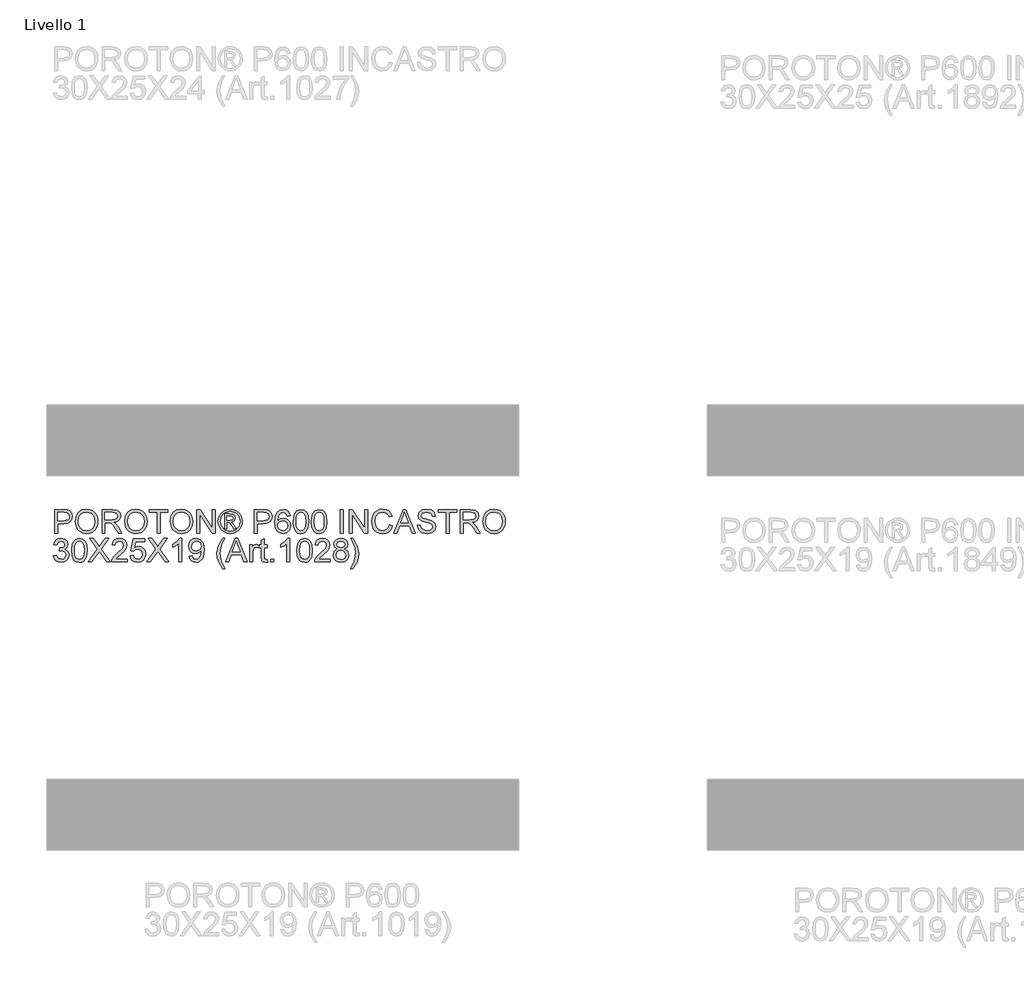
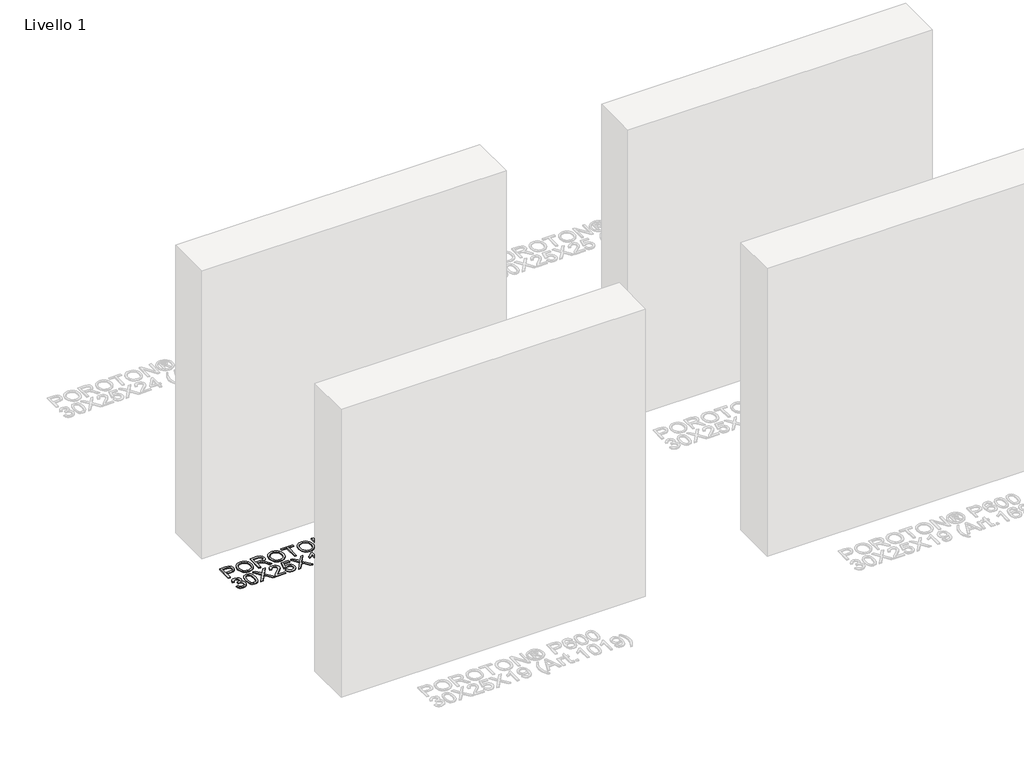
# One storey, part 3 of 11: 1 proxy.
"""IFC4 building model written with IfcOpenShell, lengths in millimetres."""

from ifc_helpers import new_model, si_unit, origin, origin_with_axes, place, context, project, spatial, polyline, outline, extrude, element, save

model = new_model("IFC4")

# Units and contexts
model_context = context("Model", 3, world=origin())
ifc_project = project(units=[si_unit("LENGTHUNIT", "METRE", prefix="MILLI")], contexts=[model_context])

# Site, building, storey
site = spatial("IfcSite", under=ifc_project)
building = spatial("IfcBuilding", under=site)
storey = spatial("IfcBuildingStorey", under=building, Name="Livello 1", Elevation=0.0)

# Proxy
placement = place(None, origin())
element("IfcBuildingElementProxy", 1, Name="100", ObjectType="100", at=placement, inside=storey, context=model_context, shape_type="SweptSolid", body=[
    extrude(outline(polyline([(-5050.2668329, 2481.1410953), (-5050.2668329, 2581.5974055), (-5013.0371749, 2581.5974055), (-4998.0275895, 2580.6409123), (-4985.82617, 2575.9442855), (-4977.9167071, 2566.2322008), (-4974.9246002, 2552.5347278), (-4976.9448855, 2540.695059), (-4983.0057414, 2530.8296901), (-4994.3395725, 2524.171026), (-5012.1787836, 2521.9514713), (-5037.7097941, 2521.9514713), (-5037.7097941, 2481.1410953), (-5050.2668329, 2481.1410953)]), holes=[polyline([(-5037.7097941, 2534.5085101), (-5011.4430196, 2534.5085101), (-4992.950818, 2539.1192977), (-4988.8489338, 2544.6681845), (-4987.481639, 2552.0932694), (-4990.7067378, 2562.4920672), (-4999.1802865, 2568.1819754), (-5011.7373252, 2569.0403667), (-5037.7097941, 2569.0403667), (-5037.7097941, 2534.5085101)])]), origin_with_axes(), (0.0, 0.0, 1.0), 5.0),
    extrude(outline(polyline([(-4962.3675615, 2530.0448752), (-4959.0198353, 2552.2588163), (-4948.9766568, 2569.0648922), (-4933.642109, 2579.6414995), (-4914.4202748, 2583.1670353), (-4901.243968, 2581.5115663), (-4889.4288246, 2576.5451594), (-4879.618638, 2568.6173024), (-4872.4572019, 2558.0774832), (-4868.0794061, 2545.4346053), (-4866.6201409, 2531.1975721), (-4868.1560482, 2516.7704665), (-4872.7637702, 2503.949779), (-4880.1888551, 2493.3915657), (-4890.1768513, 2485.751883), (-4901.8908271, 2481.1165698), (-4914.4938512, 2479.5714655), (-4927.8724931, 2481.2790511), (-4939.7550815, 2486.4018078), (-4949.5407426, 2494.4768176), (-4956.6286023, 2505.0411623), (-4962.3675615, 2530.0448752)]), holes=[polyline([(-4949.8105227, 2529.9222479), (-4947.2997281, 2514.2075553), (-4939.7673442, 2502.2329964), (-4928.4457758, 2494.6546273), (-4914.5674276, 2492.1285042), (-4900.4867442, 2494.6791527), (-4889.1467817, 2502.3310982), (-4881.6695801, 2514.6735392), (-4879.1771796, 2531.295674), (-4883.4446108, 2552.019693), (-4895.9158104, 2565.7416915), (-4914.3466984, 2570.6099965), (-4927.854099, 2568.2647488), (-4939.3381486, 2561.2290057), (-4947.1924292, 2548.7118208), (-4949.8105227, 2529.9222479)])]), origin_with_axes(), (0.0, 0.0, 1.0), 5.0),
    extrude(outline(polyline([(-4849.3542126, 2481.1410953), (-4849.3542126, 2581.5974055), (-4806.0667645, 2581.5974055), (-4785.9681448, 2578.8873414), (-4774.9807359, 2569.2978841), (-4770.8727202, 2554.1043577), (-4772.5741745, 2544.208332), (-4777.6785372, 2536.0045635), (-4786.3390925, 2529.9896929), (-4798.7091246, 2526.6603608), (-4791.5722138, 2521.2892837), (-4781.3941453, 2508.3643629), (-4764.6432518, 2481.1410953), (-4779.2359043, 2481.1410953), (-4792.3079778, 2501.9632162), (-4801.7502824, 2515.7465283), (-4808.384421, 2522.2580396), (-4814.3563721, 2524.6492726), (-4821.6404356, 2525.090731), (-4836.7971738, 2525.090731), (-4836.7971738, 2481.1410953), (-4849.3542126, 2481.1410953)]), holes=[polyline([(-4836.7971738, 2537.6477698), (-4808.6909894, 2537.6477698), (-4794.3558543, 2539.4258661), (-4786.2133994, 2545.1157743), (-4783.429759, 2553.6383738), (-4788.7395225, 2564.6993591), (-4805.5272042, 2569.0403667), (-4836.7971738, 2569.0403667), (-4836.7971738, 2537.6477698)])]), origin_with_axes(), (0.0, 0.0, 1.0), 5.0),
    extrude(outline(polyline([(-4753.6067919, 2530.0448752), (-4750.2590658, 2552.2588163), (-4740.2158873, 2569.0648922), (-4724.8813395, 2579.6414995), (-4705.6595052, 2583.1670353), (-4692.4831984, 2581.5115663), (-4680.668055, 2576.5451594), (-4670.8578685, 2568.6173024), (-4663.6964323, 2558.0774832), (-4659.3186366, 2545.4346053), (-4657.8593713, 2531.1975721), (-4659.3952787, 2516.7704665), (-4664.0030007, 2503.949779), (-4671.4280856, 2493.3915657), (-4681.4160818, 2485.751883), (-4693.1300576, 2481.1165698), (-4705.7330816, 2479.5714655), (-4719.1117235, 2481.2790511), (-4730.994312, 2486.4018078), (-4740.779973, 2494.4768176), (-4747.8678328, 2505.0411623), (-4753.6067919, 2530.0448752)]), holes=[polyline([(-4741.0497532, 2529.9222479), (-4738.5389586, 2514.2075553), (-4731.0065747, 2502.2329964), (-4719.6850063, 2494.6546273), (-4705.806658, 2492.1285042), (-4691.7259747, 2494.6791527), (-4680.3860122, 2502.3310982), (-4672.9088106, 2514.6735392), (-4670.4164101, 2531.295674), (-4674.6838412, 2552.019693), (-4687.1550409, 2565.7416915), (-4705.5859288, 2570.6099965), (-4719.0933294, 2568.2647488), (-4730.577379, 2561.2290057), (-4738.4316596, 2548.7118208), (-4741.0497532, 2529.9222479)])]), origin_with_axes(), (0.0, 0.0, 1.0), 5.0),
    extrude(outline(polyline([(-4615.4793655, 2481.1410953), (-4615.4793655, 2569.0403667), (-4648.4415923, 2569.0403667), (-4648.4415923, 2581.5974055), (-4569.9601, 2581.5974055), (-4569.9601, 2569.0403667), (-4602.9223267, 2569.0403667), (-4602.9223267, 2481.1410953), (-4615.4793655, 2481.1410953)])), origin_with_axes(), (0.0, 0.0, 1.0), 5.0),
    extrude(outline(polyline([(-4560.5423209, 2530.0448752), (-4557.1945947, 2552.2588163), (-4547.1514162, 2569.0648922), (-4531.8168684, 2579.6414995), (-4512.5950342, 2583.1670353), (-4499.4187274, 2581.5115663), (-4487.603584, 2576.5451594), (-4477.7933974, 2568.6173024), (-4470.6319613, 2558.0774832), (-4466.2541655, 2545.4346053), (-4464.7949003, 2531.1975721), (-4466.3308076, 2516.7704665), (-4470.9385296, 2503.949779), (-4478.3636145, 2493.3915657), (-4488.3516107, 2485.751883), (-4500.0655865, 2481.1165698), (-4512.6686106, 2479.5714655), (-4526.0472525, 2481.2790511), (-4537.9298409, 2486.4018078), (-4547.715502, 2494.4768176), (-4554.8033617, 2505.0411623), (-4560.5423209, 2530.0448752)]), holes=[polyline([(-4547.9852821, 2529.9222479), (-4545.4744875, 2514.2075553), (-4537.9421036, 2502.2329964), (-4526.6205352, 2494.6546273), (-4512.742187, 2492.1285042), (-4498.6615036, 2494.6791527), (-4487.3215411, 2502.3310982), (-4479.8443395, 2514.6735392), (-4477.351939, 2531.295674), (-4481.6193702, 2552.019693), (-4494.0905698, 2565.7416915), (-4512.5214578, 2570.6099965), (-4526.0288584, 2568.2647488), (-4537.512908, 2561.2290057), (-4545.3671886, 2548.7118208), (-4547.9852821, 2529.9222479)])]), origin_with_axes(), (0.0, 0.0, 1.0), 5.0),
    extrude(outline(polyline([(-4447.528972, 2481.1410953), (-4447.528972, 2581.5974055), (-4434.0890164, 2581.5974055), (-4381.6045184, 2502.0122672), (-4381.6045184, 2581.5974055), (-4369.0474797, 2581.5974055), (-4369.0474797, 2481.1410953), (-4382.4874352, 2481.1410953), (-4434.9719332, 2560.7507591), (-4434.9719332, 2481.1410953), (-4447.528972, 2481.1410953)])), origin_with_axes(), (0.0, 0.0, 1.0), 5.0),
    extrude(outline(polyline([(-4306.2377603, 2583.1670353), (-4293.3434964, 2581.4931722), (-4280.7558008, 2576.471583), (-4269.6978812, 2568.3352595), (-4261.3929451, 2557.3171938), (-4256.1966119, 2544.5946081), (-4254.4645009, 2531.3447249), (-4256.1720865, 2518.2113377), (-4261.2948433, 2505.5929853), (-4269.4986118, 2494.6147734), (-4280.4492325, 2486.4018078), (-4293.0583879, 2481.2790511), (-4306.2377603, 2479.5714655), (-4319.3987387, 2481.2790511), (-4332.0017627, 2486.4018078), (-4342.9615805, 2494.6147734), (-4351.1929402, 2505.5929853), (-4356.3432881, 2518.2113377), (-4358.0600707, 2531.3447249), (-4356.3187626, 2544.5946081), (-4351.0948383, 2557.3171938), (-4342.7623111, 2568.3352595), (-4331.6951944, 2576.471583), (-4319.1136302, 2581.4931722), (-4306.2377603, 2583.1670353)]), holes=[polyline([(-4306.2377603, 2573.7492562), (-4327.0598813, 2568.2678145), (-4336.0883186, 2561.6060847), (-4342.9155953, 2552.5837788), (-4348.6422917, 2531.3447249), (-4343.0259599, 2510.2896121), (-4327.3051359, 2494.6055763), (-4306.2377603, 2488.9892445), (-4285.158122, 2494.6055763), (-4269.4740863, 2510.2896121), (-4263.88228, 2531.3447249), (-4269.5721882, 2552.5837788), (-4276.3810707, 2561.6060847), (-4285.4279021, 2568.2678145), (-4306.2377603, 2573.7492562)])]), origin_with_axes(), (0.0, 0.0, 1.0), 5.0),
    extrude(outline(polyline([(-4329.8067335, 2499.9766535), (-4329.8067335, 2562.7618473), (-4309.5241728, 2562.7618473), (-4294.4655365, 2561.0328019), (-4287.0465829, 2554.9995372), (-4284.287468, 2545.8392755), (-4289.0454084, 2533.9198989), (-4301.6514981, 2528.2299907), (-4296.7464049, 2524.8945273), (-4288.1870171, 2512.362014), (-4281.1482083, 2499.9766535), (-4291.7432097, 2499.9766535), (-4297.2614397, 2509.9339928), (-4306.5075405, 2524.354967), (-4314.527368, 2526.6603608), (-4320.3889544, 2526.6603608), (-4320.3889544, 2499.9766535), (-4329.8067335, 2499.9766535)]), holes=[polyline([(-4320.3889544, 2536.0781399), (-4308.4695778, 2536.0781399), (-4296.8199813, 2538.4693729), (-4293.705247, 2544.8092059), (-4295.2013005, 2549.3709427), (-4299.358367, 2552.3630496), (-4309.2298672, 2553.3440682), (-4320.3889544, 2553.3440682), (-4320.3889544, 2536.0781399)])]), origin_with_axes(), (0.0, 0.0, 1.0), 5.0),
    extrude(outline(polyline([(-4204.2363458, 2481.1410953), (-4204.2363458, 2581.5974055), (-4167.0066879, 2581.5974055), (-4151.9971025, 2580.6409123), (-4139.795683, 2575.9442855), (-4131.8862201, 2566.2322008), (-4128.8941132, 2552.5347278), (-4130.9143985, 2540.695059), (-4136.9752544, 2530.8296901), (-4148.3090855, 2524.171026), (-4166.1482966, 2521.9514713), (-4191.679307, 2521.9514713), (-4191.679307, 2481.1410953), (-4204.2363458, 2481.1410953)]), holes=[polyline([(-4191.679307, 2534.5085101), (-4165.4125326, 2534.5085101), (-4146.920331, 2539.1192977), (-4142.8184467, 2544.6681845), (-4141.451152, 2552.0932694), (-4144.6762508, 2562.4920672), (-4153.1497994, 2568.1819754), (-4165.7068382, 2569.0403667), (-4191.679307, 2569.0403667), (-4191.679307, 2534.5085101)])]), origin_with_axes(), (0.0, 0.0, 1.0), 5.0),
    extrude(outline(polyline([(-4051.9822507, 2554.9136981), (-4064.5392895, 2553.3440682), (-4069.29723, 2563.8164424), (-4081.8787942, 2569.0403667), (-4093.2095597, 2565.9992089), (-4101.7812102, 2554.5826043), (-4105.3496655, 2532.2031162), (-4094.2764175, 2542.2217692), (-4080.554419, 2545.495919), (-4068.9538735, 2543.2579702), (-4059.2172633, 2536.5441238), (-4052.6137815, 2526.2863475), (-4050.4126209, 2513.416609), (-4054.5574247, 2496.089367), (-4065.9617666, 2483.8266339), (-4082.4183545, 2479.5714655), (-4096.6645847, 2482.3918941), (-4108.0106786, 2490.85318), (-4115.4326979, 2505.789189), (-4117.9067043, 2528.033787), (-4115.159852, 2553.0436313), (-4106.9192954, 2570.1440127), (-4095.6682377, 2578.7340573), (-4081.0939793, 2581.5974055), (-4070.0759135, 2579.8254405), (-4061.252877, 2574.5095457), (-4055.0724595, 2566.0666539), (-4051.9822507, 2554.9136981)]), holes=[polyline([(-4105.3496655, 2513.6128127), (-4102.4433977, 2502.7357684), (-4094.7178758, 2494.8385683), (-4083.3993731, 2492.1285042), (-4075.1128312, 2493.5325872), (-4068.5982542, 2497.744836), (-4064.3768083, 2504.3667119), (-4062.9696597, 2512.9996761), (-4064.3584142, 2521.286218), (-4068.5246778, 2527.6045913), (-4075.1496194, 2531.605308), (-4083.9144079, 2532.9388802), (-4099.1079343, 2527.6045913), (-4103.7892327, 2521.4395022), (-4105.3496655, 2513.6128127)])]), origin_with_axes(), (0.0, 0.0, 1.0), 5.0),
    extrude(outline(polyline([(-4039.425212, 2530.55991), (-4035.7341293, 2559.4631721), (-4024.7712458, 2576.1282265), (-4006.4629852, 2581.5974055), (-3991.7967563, 2578.3600439), (-3981.6677387, 2569.028104), (-3975.7816268, 2554.1656713), (-3973.5007584, 2530.55991), (-3977.1550529, 2501.7792752), (-3988.0811482, 2485.0774327), (-3996.3125078, 2480.9479573), (-4006.4629852, 2479.5714655), (-4019.5105333, 2481.9626984), (-4029.4188217, 2489.1363973), (-4036.9236144, 2506.1264141), (-4039.425212, 2530.55991)]), holes=[polyline([(-4026.8681732, 2530.5844355), (-4025.3966452, 2510.832238), (-4020.9820613, 2499.400305), (-4014.4092363, 2493.9464544), (-4006.4629852, 2492.1285042), (-3998.5167341, 2493.9525858), (-3991.9439091, 2499.4248305), (-3987.5293252, 2510.8628948), (-3986.0577972, 2530.5844355), (-3987.4802743, 2549.8921088), (-3991.7477054, 2561.4129467), (-3998.3082676, 2567.1335117), (-4006.610138, 2569.0403667), (-4014.47055, 2567.3603722), (-4020.7858576, 2562.3203889), (-4025.3475943, 2550.0821812), (-4026.8681732, 2530.5844355)])]), origin_with_axes(), (0.0, 0.0, 1.0), 5.0),
    extrude(outline(polyline([(-3962.5133495, 2530.55991), (-3958.8222668, 2559.4631721), (-3947.8593834, 2576.1282265), (-3929.5511227, 2581.5974055), (-3914.8848939, 2578.3600439), (-3904.7558763, 2569.028104), (-3898.8697643, 2554.1656713), (-3896.588896, 2530.55991), (-3900.2431905, 2501.7792752), (-3911.1692857, 2485.0774327), (-3919.4006454, 2480.9479573), (-3929.5511227, 2479.5714655), (-3942.5986708, 2481.9626984), (-3952.5069592, 2489.1363973), (-3960.0117519, 2506.1264141), (-3962.5133495, 2530.55991)]), holes=[polyline([(-3949.9563107, 2530.5844355), (-3948.4847828, 2510.832238), (-3944.0701988, 2499.400305), (-3937.4973738, 2493.9464544), (-3929.5511227, 2492.1285042), (-3921.6048717, 2493.9525858), (-3915.0320467, 2499.4248305), (-3910.6174627, 2510.8628948), (-3909.1459347, 2530.5844355), (-3910.5684118, 2549.8921088), (-3914.8358429, 2561.4129467), (-3921.3964052, 2567.1335117), (-3929.6982755, 2569.0403667), (-3937.5586875, 2567.3603722), (-3943.8739951, 2562.3203889), (-3948.4357318, 2550.0821812), (-3949.9563107, 2530.5844355)])]), origin_with_axes(), (0.0, 0.0, 1.0), 5.0),
    extrude(outline(polyline([(-3840.0822215, 2481.1410953), (-3840.0822215, 2581.5974055), (-3827.5251828, 2581.5974055), (-3827.5251828, 2481.1410953), (-3840.0822215, 2481.1410953)])), origin_with_axes(), (0.0, 0.0, 1.0), 5.0),
    extrude(outline(polyline([(-3802.4111052, 2481.1410953), (-3802.4111052, 2581.5974055), (-3788.9711497, 2581.5974055), (-3736.4866517, 2502.0122672), (-3736.4866517, 2581.5974055), (-3723.9296129, 2581.5974055), (-3723.9296129, 2481.1410953), (-3737.3695685, 2481.1410953), (-3789.8540664, 2560.7507591), (-3789.8540664, 2481.1410953), (-3802.4111052, 2481.1410953)])), origin_with_axes(), (0.0, 0.0, 1.0), 5.0),
    extrude(outline(polyline([(-3631.321452, 2516.8501743), (-3618.7644132, 2513.6128127), (-3624.5585546, 2498.9803064), (-3633.6513713, 2488.2902687), (-3645.5952734, 2481.7511663), (-3659.9426712, 2479.5714655), (-3674.5077325, 2481.2208031), (-3686.0745556, 2486.1688159), (-3694.9405117, 2494.2438257), (-3701.4029721, 2505.2741542), (-3706.6636846, 2532.1295398), (-3705.1768282, 2546.7773746), (-3700.716259, 2559.4263839), (-3693.514969, 2569.6749631), (-3683.80595, 2577.1215078), (-3672.2912435, 2581.6556534), (-3659.6728911, 2583.1670353), (-3645.9049074, 2581.2111294), (-3634.5220253, 2575.3434115), (-3625.8798641, 2565.9256325), (-3620.3340431, 2553.3195428), (-3632.8910818, 2550.3274359), (-3643.1917777, 2565.7662169), (-3660.1634004, 2570.6099965), (-3679.808299, 2565.2389194), (-3690.9060725, 2550.8179452), (-3694.1066458, 2532.1540653), (-3690.3174613, 2510.522604), (-3678.520712, 2496.7025037), (-3661.19347, 2492.1285042), (-3650.7118988, 2493.6858713), (-3641.9777671, 2498.3579727), (-3635.3834824, 2506.0957573), (-3631.321452, 2516.8501743)])), origin_with_axes(), (0.0, 0.0, 1.0), 5.0),
    extrude(outline(polyline([(-3613.1971324, 2481.1410953), (-3573.0979949, 2581.5974055), (-3562.4048916, 2581.5974055), (-3522.3057541, 2481.1410953), (-3535.5740314, 2481.1410953), (-3547.0764751, 2512.5336922), (-3588.4509368, 2512.5336922), (-3599.9288551, 2481.1410953), (-3613.1971324, 2481.1410953)]), holes=[polyline([(-3583.8401491, 2525.090731), (-3551.6627373, 2525.090731), (-3560.7126344, 2549.7878756), (-3567.7514432, 2569.0403667), (-3574.0054371, 2551.9461166), (-3583.8401491, 2525.090731)])]), origin_with_axes(), (0.0, 0.0, 1.0), 5.0),
    extrude(outline(polyline([(-3513.5992135, 2515.6729519), (-3501.0421748, 2515.6729519), (-3496.9954728, 2503.1036504), (-3487.1117099, 2495.1573993), (-3472.0530735, 2492.1285042), (-3458.931949, 2494.4216353), (-3450.4584004, 2500.7246802), (-3447.67476, 2509.1491779), (-3449.7594246, 2516.9850644), (-3458.2942869, 2522.6872353), (-3476.5780221, 2527.481964), (-3496.2597088, 2533.6746442), (-3506.9405494, 2543.0188469), (-3510.4599538, 2555.5023093), (-3506.1066836, 2569.714817), (-3493.3902293, 2579.7457327), (-3474.7754003, 2583.1670353), (-3454.9097726, 2579.5863172), (-3441.6660207, 2569.0648922), (-3436.6873511, 2553.3440682), (-3449.2443898, 2553.3440682), (-3451.5497837, 2560.8365982), (-3456.3567751, 2566.2444635), (-3474.284891, 2570.6099965), (-3492.2620578, 2566.2935145), (-3497.9029151, 2555.8701913), (-3493.9052641, 2547.1636507), (-3473.4019742, 2540.1493673), (-3451.1819017, 2533.8463225), (-3439.0295331, 2523.6682539), (-3435.1177212, 2509.4680089), (-3439.6181443, 2494.4461608), (-3452.5675905, 2483.4832773), (-3471.5625642, 2479.5714655), (-3493.9911032, 2483.7898457), (-3508.1790855, 2496.4940372), (-3513.5992135, 2515.6729519)])), origin_with_axes(), (0.0, 0.0, 1.0), 5.0),
    extrude(outline(polyline([(-3391.1680855, 2481.1410953), (-3391.1680855, 2569.0403667), (-3424.1303123, 2569.0403667), (-3424.1303123, 2581.5974055), (-3345.64882, 2581.5974055), (-3345.64882, 2569.0403667), (-3378.6110468, 2569.0403667), (-3378.6110468, 2481.1410953), (-3391.1680855, 2481.1410953)])), origin_with_axes(), (0.0, 0.0, 1.0), 5.0),
    extrude(outline(polyline([(-3331.5221514, 2481.1410953), (-3331.5221514, 2581.5974055), (-3288.2347033, 2581.5974055), (-3268.1360836, 2578.8873414), (-3257.1486747, 2569.2978841), (-3253.0406591, 2554.1043577), (-3254.7421133, 2544.208332), (-3259.846476, 2536.0045635), (-3268.5070313, 2529.9896929), (-3280.8770634, 2526.6603608), (-3273.7401527, 2521.2892837), (-3263.5620841, 2508.3643629), (-3246.8111906, 2481.1410953), (-3261.4038431, 2481.1410953), (-3274.4759167, 2501.9632162), (-3283.9182212, 2515.7465283), (-3290.5523599, 2522.2580396), (-3296.5243109, 2524.6492726), (-3303.8083744, 2525.090731), (-3318.9651126, 2525.090731), (-3318.9651126, 2481.1410953), (-3331.5221514, 2481.1410953)]), holes=[polyline([(-3318.9651126, 2537.6477698), (-3290.8589282, 2537.6477698), (-3276.5237931, 2539.4258661), (-3268.3813383, 2545.1157743), (-3265.5976979, 2553.6383738), (-3270.9074613, 2564.6993591), (-3287.695143, 2569.0403667), (-3318.9651126, 2569.0403667), (-3318.9651126, 2537.6477698)])]), origin_with_axes(), (0.0, 0.0, 1.0), 5.0),
    extrude(outline(polyline([(-3235.7747308, 2530.0448752), (-3232.4270046, 2552.2588163), (-3222.3838262, 2569.0648922), (-3207.0492783, 2579.6414995), (-3187.8274441, 2583.1670353), (-3174.6511373, 2581.5115663), (-3162.8359939, 2576.5451594), (-3153.0258073, 2568.6173024), (-3145.8643712, 2558.0774832), (-3141.4865754, 2545.4346053), (-3140.0273102, 2531.1975721), (-3141.5632175, 2516.7704665), (-3146.1709395, 2503.949779), (-3153.5960244, 2493.3915657), (-3163.5840206, 2485.751883), (-3175.2979965, 2481.1165698), (-3187.9010205, 2479.5714655), (-3201.2796624, 2481.2790511), (-3213.1622508, 2486.4018078), (-3222.9479119, 2494.4768176), (-3230.0357717, 2505.0411623), (-3235.7747308, 2530.0448752)]), holes=[polyline([(-3223.217692, 2529.9222479), (-3220.7068974, 2514.2075553), (-3213.1745135, 2502.2329964), (-3201.8529451, 2494.6546273), (-3187.9745969, 2492.1285042), (-3173.8939135, 2494.6791527), (-3162.553951, 2502.3310982), (-3155.0767495, 2514.6735392), (-3152.5843489, 2531.295674), (-3156.8517801, 2552.019693), (-3169.3229797, 2565.7416915), (-3187.7538677, 2570.6099965), (-3201.2612683, 2568.2647488), (-3212.7453179, 2561.2290057), (-3220.5995985, 2548.7118208), (-3223.217692, 2529.9222479)])]), origin_with_axes(), (0.0, 0.0, 1.0), 5.0),
    extrude(outline(polyline([(-5054.9757224, 2385.8499848), (-5042.4186836, 2387.4196147), (-5035.4902394, 2374.2003883), (-5022.5285304, 2370.1536864), (-5013.9200917, 2371.5455066), (-5007.2736903, 2375.7209672), (-5001.6083076, 2389.5042793), (-5007.2246394, 2402.4905138), (-5021.4984608, 2407.628599), (-5030.3031032, 2406.2551728), (-5028.9051517, 2418.8122116), (-5026.8940634, 2418.6650588), (-5012.6447675, 2422.2703024), (-5007.8990897, 2426.8443018), (-5006.3171972, 2433.3558132), (-5010.9034594, 2443.1782624), (-5022.7247341, 2447.0655488), (-5034.6931617, 2443.1414742), (-5040.8490538, 2431.3692504), (-5053.4060925, 2432.9388802), (-5049.7088785, 2444.2144634), (-5043.1299221, 2452.6328297), (-5034.129076, 2457.8751481), (-5023.1661925, 2459.6225876), (-5008.0217171, 2456.1767596), (-4997.4267156, 2446.7589805), (-4993.7601584, 2434.0915771), (-4997.2427746, 2422.515557), (-5007.5434705, 2414.2014239), (-4993.8582603, 2405.6175107), (-4989.0512689, 2389.2835501), (-4991.4547646, 2377.0453424), (-4998.6652517, 2366.818223), (-5009.5484274, 2359.9020415), (-5022.9699888, 2357.5966476), (-5035.1100947, 2359.5648163), (-5044.9938576, 2365.4693223), (-5051.8671195, 2374.5008253), (-5054.9757224, 2385.8499848)])), origin_with_axes(), (0.0, 0.0, 1.0), 5.0),
    extrude(outline(polyline([(-4978.0638599, 2408.5850921), (-4974.3727772, 2437.4883542), (-4963.4098938, 2454.1534086), (-4945.1016332, 2459.6225876), (-4930.4354043, 2456.3852261), (-4920.3063867, 2447.0532861), (-4914.4202748, 2432.1908535), (-4912.1394064, 2408.5850921), (-4915.7937009, 2379.8044574), (-4926.7197961, 2363.1026148), (-4934.9511558, 2358.9731394), (-4945.1016332, 2357.5966476), (-4958.1491813, 2359.9878806), (-4968.0574697, 2367.1615795), (-4975.5622624, 2384.1515963), (-4978.0638599, 2408.5850921)]), holes=[polyline([(-4965.5068212, 2408.6096176), (-4964.0352932, 2388.8574202), (-4959.6207092, 2377.4254872), (-4953.0478843, 2371.9716366), (-4945.1016332, 2370.1536864), (-4937.1553821, 2371.9777679), (-4930.5825571, 2377.4500126), (-4926.1679731, 2388.888077), (-4924.6964452, 2408.6096176), (-4926.1189222, 2427.917291), (-4930.3863534, 2439.4381288), (-4936.9469156, 2445.1586938), (-4945.248786, 2447.0655488), (-4953.1091979, 2445.3855544), (-4959.4245055, 2440.3455711), (-4963.9862423, 2428.1073634), (-4965.5068212, 2408.6096176)])]), origin_with_axes(), (0.0, 0.0, 1.0), 5.0),
    extrude(outline(polyline([(-4907.4305169, 2359.1662775), (-4868.7048055, 2413.9071183), (-4901.1519975, 2459.6225876), (-4886.0933611, 2459.6225876), (-4867.8218887, 2433.8953734), (-4861.6659967, 2423.8644577), (-4854.4555096, 2434.0670517), (-4836.3802409, 2459.6225876), (-4821.1008753, 2459.6225876), (-4853.5480673, 2413.7599655), (-4814.8223559, 2359.1662775), (-4829.8809923, 2359.1662775), (-4855.6817829, 2395.5620695), (-4861.05286, 2403.1159132), (-4866.9634974, 2394.8263055), (-4892.1511513, 2359.1662775), (-4907.4305169, 2359.1662775)])), origin_with_axes(), (0.0, 0.0, 1.0), 5.0),
    extrude(outline(polyline([(-4742.619383, 2371.7233162), (-4742.619383, 2359.1662775), (-4808.5438366, 2359.1662775), (-4807.1949359, 2367.8237671), (-4799.5675159, 2381.153358), (-4783.8466919, 2395.7092223), (-4762.1661797, 2416.6294451), (-4756.7460516, 2430.8542156), (-4761.8596114, 2442.368922), (-4775.2137278, 2447.0655488), (-4789.1319299, 2442.4792866), (-4794.4171679, 2429.7996205), (-4806.9742067, 2431.3692504), (-4803.9299832, 2443.5154876), (-4797.3479612, 2452.387575), (-4787.5714971, 2457.8138345), (-4774.9439477, 2459.6225876), (-4762.2244277, 2457.6114994), (-4752.4663578, 2451.5782346), (-4746.2583491, 2442.5651258), (-4744.1890129, 2431.614505), (-4746.4208303, 2419.7073911), (-4753.8397839, 2407.395607), (-4771.8292134, 2390.1909924), (-4786.2747131, 2378.1122002), (-4791.9400958, 2371.7233162), (-4742.619383, 2371.7233162)])), origin_with_axes(), (0.0, 0.0, 1.0), 5.0),
    extrude(outline(polyline([(-4730.0623443, 2385.8499848), (-4717.5053055, 2387.4196147), (-4711.1777352, 2374.4824312), (-4698.0566107, 2370.1536864), (-4689.0557645, 2371.6589369), (-4682.3112613, 2376.1746884), (-4678.0990124, 2383.1797747), (-4676.6949295, 2392.1530297), (-4681.955642, 2407.0645132), (-4688.5621895, 2411.1663975), (-4697.8604069, 2412.5336922), (-4708.8846041, 2410.3509257), (-4715.9356756, 2404.685543), (-4728.4927144, 2406.2551728), (-4717.5053055, 2458.0529578), (-4668.8467803, 2458.0529578), (-4668.8467803, 2445.495919), (-4707.3517624, 2445.495919), (-4712.7228395, 2417.831193), (-4703.7526502, 2423.2758465), (-4694.3532653, 2425.090731), (-4682.6208953, 2422.8405195), (-4672.8812195, 2416.0898848), (-4666.3237229, 2405.8014517), (-4664.1378907, 2392.9378446), (-4666.1060594, 2380.3808058), (-4672.0105654, 2369.6386516), (-4683.3168054, 2360.6071486), (-4698.1056616, 2357.5966476), (-4710.4389055, 2359.5310938), (-4720.2644204, 2365.3344322), (-4726.9997266, 2374.3322127), (-4730.0623443, 2385.8499848)])), origin_with_axes(), (0.0, 0.0, 1.0), 5.0),
    extrude(outline(polyline([(-4659.4290012, 2359.1662775), (-4620.7032898, 2413.9071183), (-4653.1504818, 2459.6225876), (-4638.0918455, 2459.6225876), (-4619.820373, 2433.8953734), (-4613.664481, 2423.8644577), (-4606.4539939, 2434.0670517), (-4588.3787252, 2459.6225876), (-4573.0993596, 2459.6225876), (-4605.5465516, 2413.7599655), (-4566.8208403, 2359.1662775), (-4581.8794766, 2359.1662775), (-4607.6802672, 2395.5620695), (-4613.0513443, 2403.1159132), (-4618.9619817, 2394.8263055), (-4644.1496356, 2359.1662775), (-4659.4290012, 2359.1662775)])), origin_with_axes(), (0.0, 0.0, 1.0), 5.0),
    extrude(outline(polyline([(-4511.8837956, 2359.1662775), (-4524.4408344, 2359.1662775), (-4524.4408344, 2437.451566), (-4536.3356856, 2428.9780174), (-4549.554912, 2422.6381844), (-4549.554912, 2434.5085101), (-4531.1485495, 2446.2562085), (-4519.9771995, 2459.6225876), (-4511.8837956, 2459.6225876), (-4511.8837956, 2359.1662775)])), origin_with_axes(), (0.0, 0.0, 1.0), 5.0),
    extrude(outline(polyline([(-4480.4911987, 2384.280355), (-4467.93416, 2385.8499848), (-4462.2933027, 2373.8692945), (-4451.6001994, 2370.1536864), (-4441.4343936, 2372.5449194), (-4434.5427375, 2378.9338033), (-4430.4347219, 2389.8476359), (-4428.6198374, 2404.4157629), (-4428.6934138, 2406.8683095), (-4438.7365923, 2397.3524286), (-4452.5076416, 2393.6981341), (-4463.9579687, 2395.9299515), (-4473.4891781, 2402.6254038), (-4479.9179159, 2412.9690193), (-4482.0608286, 2426.145326), (-4479.8136827, 2439.7569599), (-4473.0722452, 2450.4255377), (-4462.9462932, 2457.3233251), (-4450.5456043, 2459.6225876), (-4432.6542766, 2454.3741378), (-4420.3424925, 2439.4136033), (-4416.136375, 2411.3074189), (-4420.3302298, 2380.8100015), (-4425.5449571, 2370.8189397), (-4432.8014294, 2363.5318105), (-4441.7869471, 2359.0804383), (-4452.1888106, 2357.5966476), (-4462.9248335, 2359.3471528), (-4471.4903526, 2364.5986683), (-4477.4806977, 2373.0201003), (-4480.4911987, 2384.280355)]), holes=[polyline([(-4428.6934138, 2426.4396316), (-4430.0484458, 2434.9499685), (-4434.1135419, 2441.498268), (-4440.4227181, 2445.6737286), (-4448.5099906, 2447.0655488), (-4456.8977001, 2445.5664297), (-4463.6176779, 2441.0690723), (-4468.0322618, 2434.1866133), (-4469.5037898, 2425.5321894), (-4468.1119696, 2417.772945), (-4463.9365089, 2411.6139872), (-4457.3820781, 2407.5948764), (-4448.8533471, 2406.2551728), (-4434.3710593, 2411.6139872), (-4430.1128252, 2417.9998055), (-4428.6934138, 2426.4396316)])]), origin_with_axes(), (0.0, 0.0, 1.0), 5.0),
    extrude(outline(polyline([(-4337.6548827, 2330.9129402), (-4355.4848968, 2360.3680253), (-4360.9479444, 2377.5481145), (-4362.7689603, 2395.3413403), (-4357.3243067, 2425.8755459), (-4337.6548827, 2459.6225876), (-4328.2371037, 2459.6225876), (-4339.984802, 2439.7324344), (-4347.0481363, 2420.4554179), (-4350.2119215, 2395.2677639), (-4344.718217, 2363.0780893), (-4328.2371037, 2330.9129402), (-4337.6548827, 2330.9129402)])), origin_with_axes(), (0.0, 0.0, 1.0), 5.0),
    extrude(outline(polyline([(-4325.8090825, 2359.1662775), (-4285.709945, 2459.6225876), (-4275.0168417, 2459.6225876), (-4234.9177042, 2359.1662775), (-4248.1859815, 2359.1662775), (-4259.6884252, 2390.5588744), (-4301.0628869, 2390.5588744), (-4312.5408052, 2359.1662775), (-4325.8090825, 2359.1662775)]), holes=[polyline([(-4296.4520993, 2403.1159132), (-4264.2746874, 2403.1159132), (-4273.3245845, 2427.8130578), (-4280.3633933, 2447.0655488), (-4286.6173873, 2429.9712988), (-4296.4520993, 2403.1159132)])]), origin_with_axes(), (0.0, 0.0, 1.0), 5.0),
    extrude(outline(polyline([(-4223.071904, 2359.1662775), (-4223.071904, 2432.9388802), (-4212.084495, 2432.9388802), (-4212.084495, 2422.0250477), (-4204.2853967, 2432.0804889), (-4196.4372475, 2434.5085101), (-4183.8311578, 2430.6334864), (-4188.0250126, 2419.3762973), (-4196.8541804, 2421.9514713), (-4203.9543029, 2419.4743992), (-4208.4792515, 2412.6072686), (-4210.5148652, 2397.9410398), (-4210.5148652, 2359.1662775), (-4223.071904, 2359.1662775)])), origin_with_axes(), (0.0, 0.0, 1.0), 5.0),
    extrude(outline(polyline([(-4149.2993012, 2369.6386516), (-4147.7296714, 2358.7983955), (-4157.122925, 2357.5966476), (-4167.64435, 2359.6813123), (-4172.8927998, 2365.1504912), (-4174.4133787, 2379.3997872), (-4174.4133787, 2420.3818415), (-4183.8311578, 2420.3818415), (-4183.8311578, 2432.9388802), (-4174.4133787, 2432.9388802), (-4174.4133787, 2450.8669961), (-4161.85634, 2458.2491615), (-4161.85634, 2432.9388802), (-4149.2993012, 2432.9388802), (-4149.2993012, 2420.3818415), (-4161.85634, 2420.3818415), (-4161.85634, 2379.7676692), (-4161.1941524, 2373.2929461), (-4159.0481741, 2370.999815), (-4154.7684802, 2370.1536864), (-4149.2993012, 2369.6386516)])), origin_with_axes(), (0.0, 0.0, 1.0), 5.0),
    extrude(outline(polyline([(-4133.6030027, 2359.1662775), (-4133.6030027, 2371.7233162), (-4121.045964, 2371.7233162), (-4121.045964, 2359.1662775), (-4133.6030027, 2359.1662775)])), origin_with_axes(), (0.0, 0.0, 1.0), 5.0),
    extrude(outline(polyline([(-4053.5518806, 2359.1662775), (-4066.1089194, 2359.1662775), (-4066.1089194, 2437.451566), (-4078.0037705, 2428.9780174), (-4091.2229969, 2422.6381844), (-4091.2229969, 2434.5085101), (-4072.8166344, 2446.2562085), (-4061.6452845, 2459.6225876), (-4053.5518806, 2459.6225876), (-4053.5518806, 2359.1662775)])), origin_with_axes(), (0.0, 0.0, 1.0), 5.0),
    extrude(outline(polyline([(-4023.7289135, 2408.5850921), (-4020.0378308, 2437.4883542), (-4009.0749474, 2454.1534086), (-3990.7666867, 2459.6225876), (-3976.1004579, 2456.3852261), (-3965.9714403, 2447.0532861), (-3960.0853283, 2432.1908535), (-3957.80446, 2408.5850921), (-3961.4587545, 2379.8044574), (-3972.3848497, 2363.1026148), (-3980.6162094, 2358.9731394), (-3990.7666867, 2357.5966476), (-4003.8142348, 2359.9878806), (-4013.7225232, 2367.1615795), (-4021.2273159, 2384.1515963), (-4023.7289135, 2408.5850921)]), holes=[polyline([(-4011.1718747, 2408.6096176), (-4009.7003468, 2388.8574202), (-4005.2857628, 2377.4254872), (-3998.7129378, 2371.9716366), (-3990.7666867, 2370.1536864), (-3982.8204356, 2371.9777679), (-3976.2476107, 2377.4500126), (-3971.8330267, 2388.888077), (-3970.3614987, 2408.6096176), (-3971.7839758, 2427.917291), (-3976.0514069, 2439.4381288), (-3982.6119692, 2445.1586938), (-3990.9138395, 2447.0655488), (-3998.7742515, 2445.3855544), (-4005.0895591, 2440.3455711), (-4009.6512958, 2428.1073634), (-4011.1718747, 2408.6096176)])]), origin_with_axes(), (0.0, 0.0, 1.0), 5.0),
    extrude(outline(polyline([(-3882.4622274, 2371.7233162), (-3882.4622274, 2359.1662775), (-3948.3866809, 2359.1662775), (-3947.0377803, 2367.8237671), (-3939.4103602, 2381.153358), (-3923.6895363, 2395.7092223), (-3902.009024, 2416.6294451), (-3896.588896, 2430.8542156), (-3901.7024557, 2442.368922), (-3915.0565721, 2447.0655488), (-3928.9747743, 2442.4792866), (-3934.2600123, 2429.7996205), (-3946.8170511, 2431.3692504), (-3943.7728275, 2443.5154876), (-3937.1908055, 2452.387575), (-3927.4143415, 2457.8138345), (-3914.786792, 2459.6225876), (-3902.067272, 2457.6114994), (-3892.3092021, 2451.5782346), (-3886.1011934, 2442.5651258), (-3884.0318572, 2431.614505), (-3886.2636746, 2419.7073911), (-3893.6826282, 2407.395607), (-3911.6720578, 2390.1909924), (-3926.1175575, 2378.1122002), (-3931.7829402, 2371.7233162), (-3882.4622274, 2371.7233162)])), origin_with_axes(), (0.0, 0.0, 1.0), 5.0),
    extrude(outline(polyline([(-3851.6091907, 2414.4957295), (-3863.0503208, 2422.2948278), (-3866.7659289, 2434.4349337), (-3864.7425779, 2444.2512516), (-3858.672525, 2452.3630496), (-3849.2363518, 2457.8077031), (-3837.1146401, 2459.6225876), (-3824.919352, 2457.7647835), (-3815.3605514, 2452.1913713), (-3809.1801339, 2443.9508146), (-3807.1199948, 2434.0915771), (-3810.786552, 2422.2580396), (-3821.908851, 2414.4957295), (-3808.5547345, 2404.6487548), (-3803.9807351, 2388.4006333), (-3806.2493407, 2376.3954176), (-3813.0551576, 2366.4748664), (-3823.5643199, 2359.8162023), (-3836.9429618, 2357.5966476), (-3850.3216037, 2359.8253994), (-3860.830766, 2366.5116546), (-3867.636583, 2376.5272419), (-3869.9051886, 2388.7439899), (-3865.1472481, 2405.3722561), (-3851.6091907, 2414.4957295)]), holes=[polyline([(-3854.2088901, 2434.0670517), (-3849.757518, 2424.2078142), (-3836.795809, 2420.3818415), (-3824.0916175, 2424.1832887), (-3819.6770335, 2433.502966), (-3824.2387703, 2443.153737), (-3836.9429618, 2447.0655488), (-3849.6839416, 2443.2395761), (-3854.2088901, 2434.0670517)]), polyline([(-3857.3481498, 2389.1854483), (-3855.2512225, 2379.730881), (-3847.8322689, 2372.6552839), (-3836.84486, 2370.1536864), (-3828.2977349, 2371.4688645), (-3821.8843255, 2375.4143989), (-3816.5377738, 2388.7930408), (-3822.0560038, 2402.4292001), (-3828.616566, 2406.475902), (-3837.2617929, 2407.8248027), (-3845.6893563, 2406.4942961), (-3852.0383864, 2402.5027765), (-3857.3481498, 2389.1854483)])]), origin_with_axes(), (0.0, 0.0, 1.0), 5.0),
    extrude(outline(polyline([(-3786.7148068, 2330.9129402), (-3796.1325858, 2330.9129402), (-3779.6514724, 2363.0780893), (-3774.157768, 2395.2677639), (-3777.3215531, 2420.2346887), (-3784.3113111, 2439.5362307), (-3796.1325858, 2459.6225876), (-3786.7148068, 2459.6225876), (-3767.0453827, 2425.8755459), (-3761.6007292, 2395.3413403), (-3763.4309421, 2377.5481145), (-3768.9215809, 2360.3680253), (-3786.7148068, 2330.9129402)])), origin_with_axes(), (0.0, 0.0, 1.0), 5.0),
])

save(model, "model.ifc")
